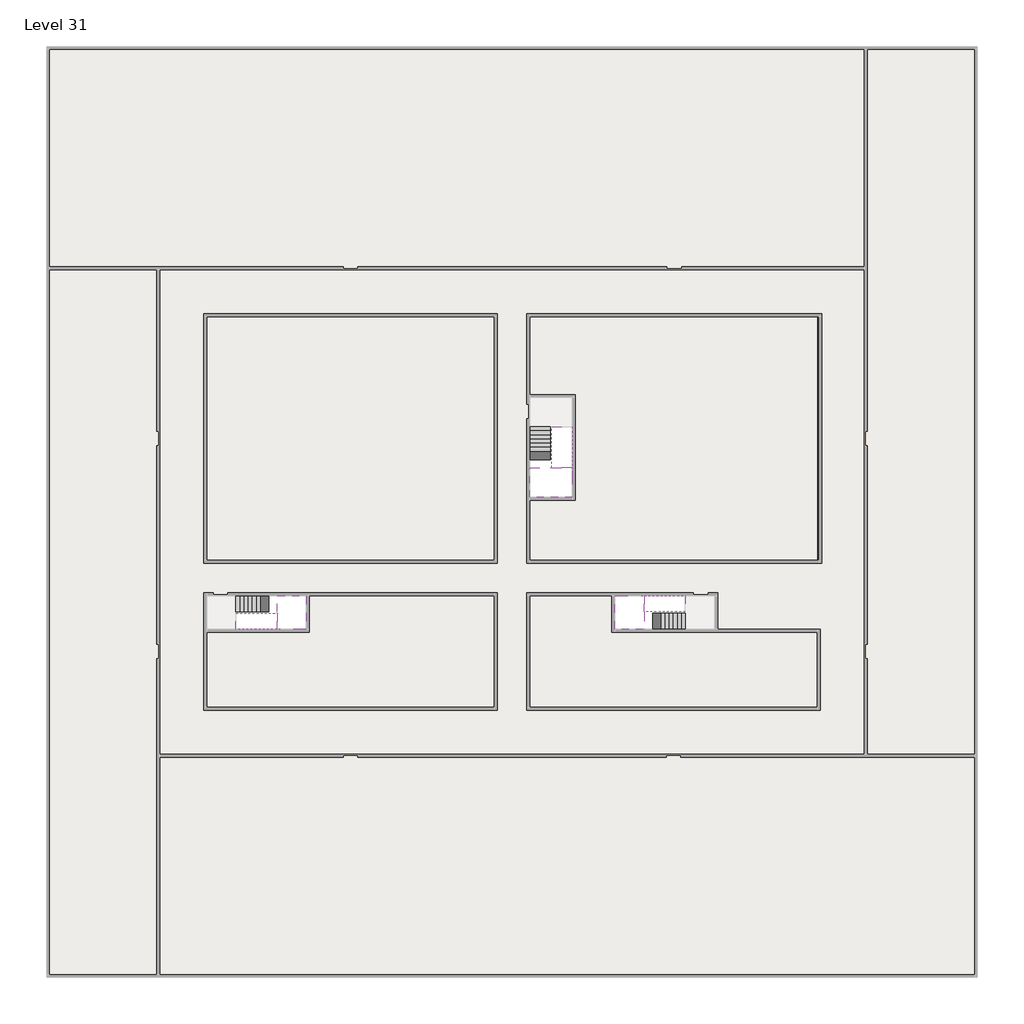
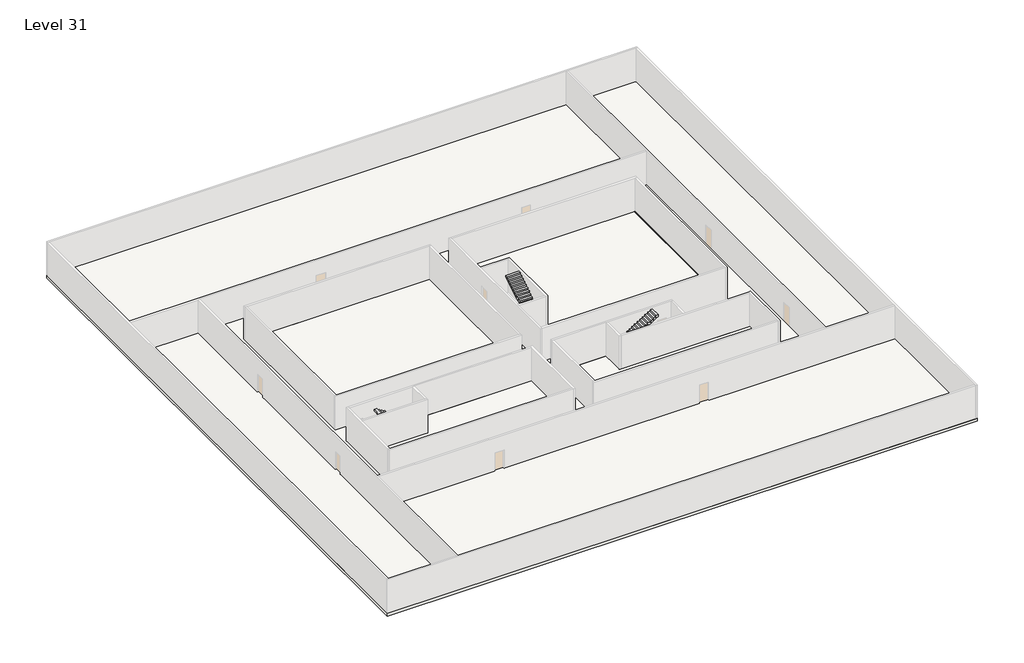
# One storey, part 2 of 2: 6 stair flights, 5 slabs.
"""IFC4 building model written with IfcOpenShell, lengths in millimetres."""

from ifc_helpers import new_model, si_unit, frame, origin, place, context, project, spatial, polyline, outline, extrude, faceted_brep, element, save

model = new_model("IFC4")

# Units and contexts
model_context = context("Model", 3, world=origin())
ifc_project = project(units=[si_unit("LENGTHUNIT", "METRE", prefix="MILLI")], contexts=[model_context])

# Site, building, storey
site = spatial("IfcSite", under=ifc_project)
building = spatial("IfcBuilding", under=site)
storey = spatial("IfcBuildingStorey", under=building, Name="Level 31", Elevation=114000.0)

# Slabs
placement = place(None, origin())
element("IfcSlab", 1, at=placement, inside=storey, context=model_context, shape_type="Brep", body=[
    faceted_brep([(8190.1058784, -42918.09644, 115900.0), (8190.1058784, -44018.09644, 115900.0), (8190.1058784, -44118.09644, 115900.0), (8190.1058784, -45218.09644, 115900.0), (8390.7194421, -45218.09644, 115900.0), (10190.1058784, -45218.09644, 115900.0), (10190.1058784, -42918.09644, 115900.0), (8269.4923146, -42918.09644, 115900.0), (8190.1058784, -42918.09644, 115727.2727273), (8190.1058784, -42918.09644, 115551.0278478), (8190.1058784, -44018.09644, 115551.0278478), (8190.1058784, -44018.09644, 115600.0), (8190.1058784, -44118.09644, 115600.0), (8190.1058784, -44118.09644, 115723.7551205), (8190.1058784, -45218.09644, 115723.7551205), (8390.7194421, -45218.09644, 115600.0), (10190.1058784, -45218.09644, 115600.0), (10190.1058784, -42918.09644, 115600.0), (8269.4923146, -42918.09644, 115600.0), (8390.7194421, -44118.09644, 115600.0), (8269.4923146, -44018.09644, 115600.0)], [[[0, 1, 2, 3, 4, 5, 6, 7]], [[1, 0, 8, 9, 10, 11]], [[2, 1, 11, 12, 13]], [[3, 2, 13, 14]], [[3, 14, 15, 16, 5, 4]], [[6, 5, 16, 17]], [[9, 8, 0, 7, 6, 17, 18]], [[19, 12, 11, 20, 18, 17, 16, 15]], [[12, 19, 13]], [[18, 20, 10, 9]], [[20, 11, 10]], [[19, 15, 14, 13]]]),
])
element("IfcSlab", 2, at=placement, inside=storey, context=model_context, shape_type="Brep", body=[
    faceted_brep([(33190.1058784, -45218.09644, 115900.0), (33190.1058784, -44118.09644, 115900.0), (33190.1058784, -44018.09644, 115900.0), (33190.1058784, -42918.09644, 115900.0), (32989.4923146, -42918.09644, 115900.0), (31190.1058784, -42918.09644, 115900.0), (31190.1058784, -45218.09644, 115900.0), (33110.7194421, -45218.09644, 115900.0), (33190.1058784, -45218.09644, 115727.2727273), (33190.1058784, -45218.09644, 115551.0278478), (33190.1058784, -44118.09644, 115551.0278478), (33190.1058784, -44118.09644, 115600.0), (33190.1058784, -44018.09644, 115600.0), (33190.1058784, -44018.09644, 115723.7551205), (33190.1058784, -42918.09644, 115723.7551205), (32989.4923146, -42918.09644, 115600.0), (31190.1058784, -42918.09644, 115600.0), (31190.1058784, -45218.09644, 115600.0), (33110.7194421, -45218.09644, 115600.0), (32989.4923146, -44018.09644, 115600.0), (33110.7194421, -44118.09644, 115600.0)], [[[0, 1, 2, 3, 4, 5, 6, 7]], [[1, 0, 8, 9, 10, 11]], [[2, 1, 11, 12, 13]], [[3, 2, 13, 14]], [[3, 14, 15, 16, 5, 4]], [[6, 5, 16, 17]], [[9, 8, 0, 7, 6, 17, 18]], [[19, 12, 11, 20, 18, 17, 16, 15]], [[12, 19, 13]], [[18, 20, 10, 9]], [[20, 11, 10]], [[19, 15, 14, 13]]]),
])
element("IfcSlab", 3, at=placement, inside=storey, context=model_context, shape_type="Brep", body=[
    faceted_brep([(26790.1058784, -34218.09644, 115900.0), (25390.1058784, -34218.09644, 115900.0), (25390.1058784, -34297.4828763, 115900.0), (25390.1058784, -36218.09644, 115900.0), (28290.1058784, -36218.09644, 115900.0), (28290.1058784, -34418.7100038, 115900.0), (28290.1058784, -34218.09644, 115900.0), (26890.1058784, -34218.09644, 115900.0), (26790.1058784, -34218.09644, 115600.0), (26790.1058784, -34218.09644, 115551.0278478), (25390.1058784, -34218.09644, 115551.0278478), (25390.1058784, -34218.09644, 115727.2727273), (25390.1058784, -34297.4828763, 115600.0), (25390.1058784, -36218.09644, 115600.0), (28290.1058784, -36218.09644, 115600.0), (28290.1058784, -34418.7100038, 115600.0), (28290.1058784, -34218.09644, 115723.7551205), (26890.1058784, -34218.09644, 115723.7551205), (26890.1058784, -34218.09644, 115600.0), (26890.1058784, -34418.7100038, 115600.0), (26790.1058784, -34297.4828763, 115600.0)], [[[0, 1, 2, 3, 4, 5, 6, 7]], [[1, 0, 8, 9, 10, 11]], [[1, 11, 10, 12, 13, 3, 2]], [[4, 3, 13, 14]], [[4, 14, 15, 16, 6, 5]], [[7, 6, 16, 17]], [[0, 7, 17, 18, 8]], [[18, 19, 15, 14, 13, 12, 20, 8]], [[19, 18, 17]], [[20, 12, 10, 9]], [[8, 20, 9]], [[15, 19, 17, 16]]]),
])
element("IfcSlab", 4, at=placement, inside=storey, context=model_context, shape_type="SweptSolid", body=[
    extrude(outline(polyline([(55890.1058784, -5518.09644), (55890.1058784, -68918.09644), (-7509.8941216, -68918.09644), (-7509.8941216, -5518.09644), (55890.1058784, -5518.09644)]), holes=[polyline([(22990.1058784, -23918.09644), (3390.1058784, -23918.09644), (3390.1058784, -40518.09644), (22990.1058784, -40518.09644), (22990.1058784, -23918.09644)]), polyline([(44990.1058784, -23918.09644), (25390.1058784, -23918.09644), (25390.1058784, -40518.09644), (44990.1058784, -40518.09644), (44990.1058784, -23918.09644)]), polyline([(37990.1058784, -42918.09644), (25390.1058784, -42918.09644), (25390.1058784, -50518.09644), (44990.1058784, -50518.09644), (44990.1058784, -45418.09644), (37990.1058784, -45418.09644), (37990.1058784, -42918.09644)]), polyline([(22990.1058784, -42918.09644), (3390.1058784, -42918.09644), (3390.1058784, -50518.09644), (22990.1058784, -50518.09644), (22990.1058784, -42918.09644)])]), frame((0.0, 0.0, 113700.0), z_axis=(0.0, 0.0, 1.0), x_axis=(1.0, 0.0, 0.0)), (0.0, 0.0, 1.0), 300.0),
])
element("IfcSlab", 5, at=placement, inside=storey, context=model_context, shape_type="SweptSolid", body=[
    extrude(outline(polyline([(22990.1058784, -23918.09644), (22990.1058784, -40518.09644), (3390.1058784, -40518.09644), (3390.1058784, -23918.09644), (22990.1058784, -23918.09644)])), frame((0.0, 0.0, 113700.0), z_axis=(0.0, 0.0, 1.0), x_axis=(1.0, 0.0, 0.0)), (0.0, 0.0, 1.0), 300.0),
    extrude(outline(polyline([(44990.1058784, -23918.09644), (44990.1058784, -40518.09644), (25390.1058784, -40518.09644), (25390.1058784, -36418.09644), (28490.1058784, -36418.09644), (28490.1058784, -29218.09644), (25390.1058784, -29218.09644), (25390.1058784, -23918.09644), (44990.1058784, -23918.09644)])), frame((0.0, 0.0, 113700.0), z_axis=(0.0, 0.0, 1.0), x_axis=(1.0, 0.0, 0.0)), (0.0, 0.0, 1.0), 300.0),
    extrude(outline(polyline([(22990.1058784, -42918.09644), (22990.1058784, -50518.09644), (3390.1058784, -50518.09644), (3390.1058784, -45418.09644), (10390.1058784, -45418.09644), (10390.1058784, -42918.09644), (22990.1058784, -42918.09644)])), frame((0.0, 0.0, 113700.0), z_axis=(0.0, 0.0, 1.0), x_axis=(1.0, 0.0, 0.0)), (0.0, 0.0, 1.0), 300.0),
    extrude(outline(polyline([(30990.1058784, -42918.09644), (30990.1058784, -45418.09644), (44990.1058784, -45418.09644), (44990.1058784, -50518.09644), (25390.1058784, -50518.09644), (25390.1058784, -42918.09644), (30990.1058784, -42918.09644)])), frame((0.0, 0.0, 113700.0), z_axis=(0.0, 0.0, 1.0), x_axis=(1.0, 0.0, 0.0)), (0.0, 0.0, 1.0), 300.0),
])

# Stair flights
element("IfcStairFlight", 6, at=placement, inside=storey, context=model_context, shape_type="Brep", body=[
    faceted_brep([(5670.1058784, -42918.09644, 114172.7272727), (5390.1058784, -42918.09644, 114172.7272727), (5390.1058784, -44018.09644, 114172.7272727), (5670.1058784, -44018.09644, 114172.7272727), (5670.1058784, -42918.09644, 114000.0), (5390.1058784, -42918.09644, 114000.0), (5390.1058784, -44018.09644, 114000.0), (5670.1058784, -44018.09644, 114000.0), (5950.1058784, -42918.09644, 114345.4545455), (5670.1058784, -42918.09644, 114345.4545455), (5670.1058784, -44018.09644, 114345.4545455), (5950.1058784, -44018.09644, 114345.4545455), (5950.1058784, -42918.09644, 114169.209666), (5675.8081041, -42918.09644, 114000.0), (5675.8081041, -44018.09644, 114000.0), (5950.1058784, -44018.09644, 114169.209666), (6230.1058784, -42918.09644, 114518.1818182), (5950.1058784, -42918.09644, 114518.1818182), (5950.1058784, -44018.09644, 114518.1818182), (6230.1058784, -44018.09644, 114518.1818182), (6230.1058784, -42918.09644, 114341.9369387), (6230.1058784, -44018.09644, 114341.9369387), (6510.1058784, -42918.09644, 114690.9090909), (6230.1058784, -42918.09644, 114690.9090909), (6230.1058784, -44018.09644, 114690.9090909), (6510.1058784, -44018.09644, 114690.9090909), (6510.1058784, -42918.09644, 114514.6642114), (6510.1058784, -44018.09644, 114514.6642114), (6790.1058784, -42918.09644, 114863.6363636), (6510.1058784, -42918.09644, 114863.6363636), (6510.1058784, -44018.09644, 114863.6363636), (6790.1058784, -44018.09644, 114863.6363636), (6790.1058784, -42918.09644, 114687.3914841), (6790.1058784, -44018.09644, 114687.3914841), (7070.1058784, -42918.09644, 115036.3636364), (6790.1058784, -42918.09644, 115036.3636364), (6790.1058784, -44018.09644, 115036.3636364), (7070.1058784, -44018.09644, 115036.3636364), (7070.1058784, -42918.09644, 114860.1187569), (7070.1058784, -44018.09644, 114860.1187569), (7350.1058784, -42918.09644, 115209.0909091), (7070.1058784, -42918.09644, 115209.0909091), (7070.1058784, -44018.09644, 115209.0909091), (7350.1058784, -44018.09644, 115209.0909091), (7350.1058784, -42918.09644, 115032.8460296), (7350.1058784, -44018.09644, 115032.8460296), (7630.1058784, -42918.09644, 115381.8181818), (7350.1058784, -42918.09644, 115381.8181818), (7350.1058784, -44018.09644, 115381.8181818), (7630.1058784, -44018.09644, 115381.8181818), (7630.1058784, -42918.09644, 115205.5733023), (7630.1058784, -44018.09644, 115205.5733023), (7910.1058784, -42918.09644, 115554.5454545), (7630.1058784, -42918.09644, 115554.5454545), (7630.1058784, -44018.09644, 115554.5454545), (7910.1058784, -44018.09644, 115554.5454545), (7910.1058784, -42918.09644, 115378.3005751), (7910.1058784, -44018.09644, 115378.3005751), (8190.1058784, -42918.09644, 115727.2727273), (7910.1058784, -42918.09644, 115727.2727273), (7910.1058784, -44018.09644, 115727.2727273), (8190.1058784, -44018.09644, 115727.2727273), (8190.1058784, -42918.09644, 115551.0278478), (8190.1058784, -44018.09644, 115551.0278478), (8190.1058784, -44018.09644, 115600.0)], [[[0, 1, 2, 3]], [[1, 0, 4, 5]], [[2, 1, 5, 6]], [[3, 2, 6, 7]], [[8, 9, 10, 11]], [[4, 0, 9, 8, 12, 13]], [[0, 3, 10, 9]], [[3, 7, 14, 15, 11, 10]], [[16, 17, 18, 19]], [[17, 16, 20, 12, 8]], [[8, 11, 18, 17]], [[19, 18, 11, 15, 21]], [[22, 23, 24, 25]], [[23, 22, 26, 20, 16]], [[16, 19, 24, 23]], [[25, 24, 19, 21, 27]], [[28, 29, 30, 31]], [[29, 28, 32, 26, 22]], [[22, 25, 30, 29]], [[31, 30, 25, 27, 33]], [[34, 35, 36, 37]], [[35, 34, 38, 32, 28]], [[28, 31, 36, 35]], [[37, 36, 31, 33, 39]], [[40, 41, 42, 43]], [[41, 40, 44, 38, 34]], [[34, 37, 42, 41]], [[43, 42, 37, 39, 45]], [[46, 47, 48, 49]], [[47, 46, 50, 44, 40]], [[40, 43, 48, 47]], [[49, 48, 43, 45, 51]], [[52, 53, 54, 55]], [[53, 52, 56, 50, 46]], [[46, 49, 54, 53]], [[55, 54, 49, 51, 57]], [[58, 59, 60, 61]], [[59, 58, 62, 56, 52]], [[52, 55, 60, 59]], [[61, 60, 55, 57, 63, 64]], [[58, 61, 64, 63, 62]], [[5, 4, 13, 14, 7, 6]], [[14, 13, 12, 20, 26, 32, 38, 44, 50, 56, 62, 63, 57, 51, 45, 39, 33, 27, 21, 15]]]),
])
element("IfcStairFlight", 7, at=placement, inside=storey, context=model_context, shape_type="Brep", body=[
    faceted_brep([(7910.1058784, -45218.09644, 116072.7272727), (8190.1058784, -45218.09644, 116072.7272727), (8190.1058784, -44118.09644, 116072.7272727), (7910.1058784, -44118.09644, 116072.7272727), (7910.1058784, -45218.09644, 115896.4823932), (8190.1058784, -45218.09644, 115723.7551205), (8190.1058784, -45218.09644, 115900.0), (8190.1058784, -44118.09644, 115723.7551205), (7910.1058784, -44118.09644, 115896.4823932), (7630.1058784, -45218.09644, 116245.4545455), (7910.1058784, -45218.09644, 116245.4545455), (7910.1058784, -44118.09644, 116245.4545455), (7630.1058784, -44118.09644, 116245.4545455), (7630.1058784, -45218.09644, 116069.209666), (7630.1058784, -44118.09644, 116069.209666), (7350.1058784, -45218.09644, 116418.1818182), (7630.1058784, -45218.09644, 116418.1818182), (7630.1058784, -44118.09644, 116418.1818182), (7350.1058784, -44118.09644, 116418.1818182), (7350.1058784, -45218.09644, 116241.9369387), (7350.1058784, -44118.09644, 116241.9369387), (7070.1058784, -45218.09644, 116590.9090909), (7350.1058784, -45218.09644, 116590.9090909), (7350.1058784, -44118.09644, 116590.9090909), (7070.1058784, -44118.09644, 116590.9090909), (7070.1058784, -45218.09644, 116414.6642114), (7070.1058784, -44118.09644, 116414.6642114), (6790.1058784, -45218.09644, 116763.6363636), (7070.1058784, -45218.09644, 116763.6363636), (7070.1058784, -44118.09644, 116763.6363636), (6790.1058784, -44118.09644, 116763.6363636), (6790.1058784, -45218.09644, 116587.3914841), (6790.1058784, -44118.09644, 116587.3914841), (6510.1058784, -45218.09644, 116936.3636364), (6790.1058784, -45218.09644, 116936.3636364), (6790.1058784, -44118.09644, 116936.3636364), (6510.1058784, -44118.09644, 116936.3636364), (6510.1058784, -45218.09644, 116760.1187569), (6510.1058784, -44118.09644, 116760.1187569), (6230.1058784, -45218.09644, 117109.0909091), (6510.1058784, -45218.09644, 117109.0909091), (6510.1058784, -44118.09644, 117109.0909091), (6230.1058784, -44118.09644, 117109.0909091), (6230.1058784, -45218.09644, 116932.8460296), (6230.1058784, -44118.09644, 116932.8460296), (5950.1058784, -45218.09644, 117281.8181818), (6230.1058784, -45218.09644, 117281.8181818), (6230.1058784, -44118.09644, 117281.8181818), (5950.1058784, -44118.09644, 117281.8181818), (5950.1058784, -45218.09644, 117105.5733023), (5950.1058784, -44118.09644, 117105.5733023), (5670.1058784, -45218.09644, 117454.5454545), (5950.1058784, -45218.09644, 117454.5454545), (5950.1058784, -44118.09644, 117454.5454545), (5670.1058784, -44118.09644, 117454.5454545), (5670.1058784, -45218.09644, 117278.3005751), (5670.1058784, -44118.09644, 117278.3005751), (5390.1058784, -45218.09644, 117627.2727273), (5670.1058784, -45218.09644, 117627.2727273), (5670.1058784, -44118.09644, 117627.2727273), (5390.1058784, -44118.09644, 117627.2727273), (5390.1058784, -45218.09644, 117451.0278478), (5390.1058784, -44118.09644, 117451.0278478)], [[[0, 1, 2, 3]], [[1, 0, 4, 5, 6]], [[2, 1, 6, 5, 7]], [[3, 2, 7, 8]], [[9, 10, 11, 12]], [[10, 9, 13, 4, 0]], [[11, 10, 0, 3]], [[12, 11, 3, 8, 14]], [[15, 16, 17, 18]], [[16, 15, 19, 13, 9]], [[17, 16, 9, 12]], [[18, 17, 12, 14, 20]], [[21, 22, 23, 24]], [[22, 21, 25, 19, 15]], [[23, 22, 15, 18]], [[24, 23, 18, 20, 26]], [[27, 28, 29, 30]], [[28, 27, 31, 25, 21]], [[29, 28, 21, 24]], [[30, 29, 24, 26, 32]], [[33, 34, 35, 36]], [[34, 33, 37, 31, 27]], [[35, 34, 27, 30]], [[36, 35, 30, 32, 38]], [[39, 40, 41, 42]], [[40, 39, 43, 37, 33]], [[41, 40, 33, 36]], [[42, 41, 36, 38, 44]], [[45, 46, 47, 48]], [[46, 45, 49, 43, 39]], [[47, 46, 39, 42]], [[48, 47, 42, 44, 50]], [[51, 52, 53, 54]], [[52, 51, 55, 49, 45]], [[53, 52, 45, 48]], [[54, 53, 48, 50, 56]], [[57, 58, 59, 60]], [[58, 57, 61, 55, 51]], [[59, 58, 51, 54]], [[60, 59, 54, 56, 62]], [[57, 60, 62, 61]], [[5, 4, 13, 19, 25, 31, 37, 43, 49, 55, 61, 62, 56, 50, 44, 38, 32, 26, 20, 14, 8, 7]]]),
])
element("IfcStairFlight", 8, at=placement, inside=storey, context=model_context, shape_type="Brep", body=[
    faceted_brep([(35710.1058784, -45218.09644, 114172.7272727), (35990.1058784, -45218.09644, 114172.7272727), (35990.1058784, -44118.09644, 114172.7272727), (35710.1058784, -44118.09644, 114172.7272727), (35710.1058784, -45218.09644, 114000.0), (35990.1058784, -45218.09644, 114000.0), (35990.1058784, -44118.09644, 114000.0), (35710.1058784, -44118.09644, 114000.0), (35430.1058784, -45218.09644, 114345.4545455), (35710.1058784, -45218.09644, 114345.4545455), (35710.1058784, -44118.09644, 114345.4545455), (35430.1058784, -44118.09644, 114345.4545455), (35430.1058784, -45218.09644, 114169.209666), (35704.4036527, -45218.09644, 114000.0), (35704.4036527, -44118.09644, 114000.0), (35430.1058784, -44118.09644, 114169.209666), (35150.1058784, -45218.09644, 114518.1818182), (35430.1058784, -45218.09644, 114518.1818182), (35430.1058784, -44118.09644, 114518.1818182), (35150.1058784, -44118.09644, 114518.1818182), (35150.1058784, -45218.09644, 114341.9369387), (35150.1058784, -44118.09644, 114341.9369387), (34870.1058784, -45218.09644, 114690.9090909), (35150.1058784, -45218.09644, 114690.9090909), (35150.1058784, -44118.09644, 114690.9090909), (34870.1058784, -44118.09644, 114690.9090909), (34870.1058784, -45218.09644, 114514.6642114), (34870.1058784, -44118.09644, 114514.6642114), (34590.1058784, -45218.09644, 114863.6363636), (34870.1058784, -45218.09644, 114863.6363636), (34870.1058784, -44118.09644, 114863.6363636), (34590.1058784, -44118.09644, 114863.6363636), (34590.1058784, -45218.09644, 114687.3914841), (34590.1058784, -44118.09644, 114687.3914841), (34310.1058784, -45218.09644, 115036.3636364), (34590.1058784, -45218.09644, 115036.3636364), (34590.1058784, -44118.09644, 115036.3636364), (34310.1058784, -44118.09644, 115036.3636364), (34310.1058784, -45218.09644, 114860.1187569), (34310.1058784, -44118.09644, 114860.1187569), (34030.1058784, -45218.09644, 115209.0909091), (34310.1058784, -45218.09644, 115209.0909091), (34310.1058784, -44118.09644, 115209.0909091), (34030.1058784, -44118.09644, 115209.0909091), (34030.1058784, -45218.09644, 115032.8460296), (34030.1058784, -44118.09644, 115032.8460296), (33750.1058784, -45218.09644, 115381.8181818), (34030.1058784, -45218.09644, 115381.8181818), (34030.1058784, -44118.09644, 115381.8181818), (33750.1058784, -44118.09644, 115381.8181818), (33750.1058784, -45218.09644, 115205.5733023), (33750.1058784, -44118.09644, 115205.5733023), (33470.1058784, -45218.09644, 115554.5454545), (33750.1058784, -45218.09644, 115554.5454545), (33750.1058784, -44118.09644, 115554.5454545), (33470.1058784, -44118.09644, 115554.5454545), (33470.1058784, -45218.09644, 115378.3005751), (33470.1058784, -44118.09644, 115378.3005751), (33190.1058784, -45218.09644, 115727.2727273), (33470.1058784, -45218.09644, 115727.2727273), (33470.1058784, -44118.09644, 115727.2727273), (33190.1058784, -44118.09644, 115727.2727273), (33190.1058784, -45218.09644, 115551.0278478), (33190.1058784, -44118.09644, 115551.0278478), (33190.1058784, -44118.09644, 115600.0)], [[[0, 1, 2, 3]], [[1, 0, 4, 5]], [[2, 1, 5, 6]], [[3, 2, 6, 7]], [[8, 9, 10, 11]], [[4, 0, 9, 8, 12, 13]], [[0, 3, 10, 9]], [[3, 7, 14, 15, 11, 10]], [[16, 17, 18, 19]], [[17, 16, 20, 12, 8]], [[8, 11, 18, 17]], [[19, 18, 11, 15, 21]], [[22, 23, 24, 25]], [[23, 22, 26, 20, 16]], [[16, 19, 24, 23]], [[25, 24, 19, 21, 27]], [[28, 29, 30, 31]], [[29, 28, 32, 26, 22]], [[22, 25, 30, 29]], [[31, 30, 25, 27, 33]], [[34, 35, 36, 37]], [[35, 34, 38, 32, 28]], [[28, 31, 36, 35]], [[37, 36, 31, 33, 39]], [[40, 41, 42, 43]], [[41, 40, 44, 38, 34]], [[34, 37, 42, 41]], [[43, 42, 37, 39, 45]], [[46, 47, 48, 49]], [[47, 46, 50, 44, 40]], [[40, 43, 48, 47]], [[49, 48, 43, 45, 51]], [[52, 53, 54, 55]], [[53, 52, 56, 50, 46]], [[46, 49, 54, 53]], [[55, 54, 49, 51, 57]], [[58, 59, 60, 61]], [[59, 58, 62, 56, 52]], [[52, 55, 60, 59]], [[61, 60, 55, 57, 63, 64]], [[58, 61, 64, 63, 62]], [[5, 4, 13, 14, 7, 6]], [[14, 13, 12, 20, 26, 32, 38, 44, 50, 56, 62, 63, 57, 51, 45, 39, 33, 27, 21, 15]]]),
])
element("IfcStairFlight", 9, at=placement, inside=storey, context=model_context, shape_type="Brep", body=[
    faceted_brep([(33470.1058784, -42918.09644, 116072.7272727), (33190.1058784, -42918.09644, 116072.7272727), (33190.1058784, -44018.09644, 116072.7272727), (33470.1058784, -44018.09644, 116072.7272727), (33470.1058784, -42918.09644, 115896.4823932), (33190.1058784, -42918.09644, 115723.7551205), (33190.1058784, -42918.09644, 115900.0), (33190.1058784, -44018.09644, 115723.7551205), (33470.1058784, -44018.09644, 115896.4823932), (33750.1058784, -42918.09644, 116245.4545455), (33470.1058784, -42918.09644, 116245.4545455), (33470.1058784, -44018.09644, 116245.4545455), (33750.1058784, -44018.09644, 116245.4545455), (33750.1058784, -42918.09644, 116069.209666), (33750.1058784, -44018.09644, 116069.209666), (34030.1058784, -42918.09644, 116418.1818182), (33750.1058784, -42918.09644, 116418.1818182), (33750.1058784, -44018.09644, 116418.1818182), (34030.1058784, -44018.09644, 116418.1818182), (34030.1058784, -42918.09644, 116241.9369387), (34030.1058784, -44018.09644, 116241.9369387), (34310.1058784, -42918.09644, 116590.9090909), (34030.1058784, -42918.09644, 116590.9090909), (34030.1058784, -44018.09644, 116590.9090909), (34310.1058784, -44018.09644, 116590.9090909), (34310.1058784, -42918.09644, 116414.6642114), (34310.1058784, -44018.09644, 116414.6642114), (34590.1058784, -42918.09644, 116763.6363636), (34310.1058784, -42918.09644, 116763.6363636), (34310.1058784, -44018.09644, 116763.6363636), (34590.1058784, -44018.09644, 116763.6363636), (34590.1058784, -42918.09644, 116587.3914841), (34590.1058784, -44018.09644, 116587.3914841), (34870.1058784, -42918.09644, 116936.3636364), (34590.1058784, -42918.09644, 116936.3636364), (34590.1058784, -44018.09644, 116936.3636364), (34870.1058784, -44018.09644, 116936.3636364), (34870.1058784, -42918.09644, 116760.1187569), (34870.1058784, -44018.09644, 116760.1187569), (35150.1058784, -42918.09644, 117109.0909091), (34870.1058784, -42918.09644, 117109.0909091), (34870.1058784, -44018.09644, 117109.0909091), (35150.1058784, -44018.09644, 117109.0909091), (35150.1058784, -42918.09644, 116932.8460296), (35150.1058784, -44018.09644, 116932.8460296), (35430.1058784, -42918.09644, 117281.8181818), (35150.1058784, -42918.09644, 117281.8181818), (35150.1058784, -44018.09644, 117281.8181818), (35430.1058784, -44018.09644, 117281.8181818), (35430.1058784, -42918.09644, 117105.5733023), (35430.1058784, -44018.09644, 117105.5733023), (35710.1058784, -42918.09644, 117454.5454545), (35430.1058784, -42918.09644, 117454.5454545), (35430.1058784, -44018.09644, 117454.5454545), (35710.1058784, -44018.09644, 117454.5454545), (35710.1058784, -42918.09644, 117278.3005751), (35710.1058784, -44018.09644, 117278.3005751), (35990.1058784, -42918.09644, 117627.2727273), (35710.1058784, -42918.09644, 117627.2727273), (35710.1058784, -44018.09644, 117627.2727273), (35990.1058784, -44018.09644, 117627.2727273), (35990.1058784, -42918.09644, 117451.0278478), (35990.1058784, -44018.09644, 117451.0278478)], [[[0, 1, 2, 3]], [[1, 0, 4, 5, 6]], [[2, 1, 6, 5, 7]], [[3, 2, 7, 8]], [[9, 10, 11, 12]], [[10, 9, 13, 4, 0]], [[11, 10, 0, 3]], [[12, 11, 3, 8, 14]], [[15, 16, 17, 18]], [[16, 15, 19, 13, 9]], [[17, 16, 9, 12]], [[18, 17, 12, 14, 20]], [[21, 22, 23, 24]], [[22, 21, 25, 19, 15]], [[23, 22, 15, 18]], [[24, 23, 18, 20, 26]], [[27, 28, 29, 30]], [[28, 27, 31, 25, 21]], [[29, 28, 21, 24]], [[30, 29, 24, 26, 32]], [[33, 34, 35, 36]], [[34, 33, 37, 31, 27]], [[35, 34, 27, 30]], [[36, 35, 30, 32, 38]], [[39, 40, 41, 42]], [[40, 39, 43, 37, 33]], [[41, 40, 33, 36]], [[42, 41, 36, 38, 44]], [[45, 46, 47, 48]], [[46, 45, 49, 43, 39]], [[47, 46, 39, 42]], [[48, 47, 42, 44, 50]], [[51, 52, 53, 54]], [[52, 51, 55, 49, 45]], [[53, 52, 45, 48]], [[54, 53, 48, 50, 56]], [[57, 58, 59, 60]], [[58, 57, 61, 55, 51]], [[59, 58, 51, 54]], [[60, 59, 54, 56, 62]], [[57, 60, 62, 61]], [[5, 4, 13, 19, 25, 31, 37, 43, 49, 55, 61, 62, 56, 50, 44, 38, 32, 26, 20, 14, 8, 7]]]),
])
element("IfcStairFlight", 10, at=placement, inside=storey, context=model_context, shape_type="Brep", body=[
    faceted_brep([(26790.1058784, -31698.09644, 114172.7272727), (26790.1058784, -31418.09644, 114172.7272727), (25390.1058784, -31418.09644, 114172.7272727), (25390.1058784, -31698.09644, 114172.7272727), (26790.1058784, -31698.09644, 114000.0), (26790.1058784, -31418.09644, 114000.0), (25390.1058784, -31418.09644, 114000.0), (25390.1058784, -31698.09644, 114000.0), (26790.1058784, -31978.09644, 114345.4545455), (26790.1058784, -31698.09644, 114345.4545455), (25390.1058784, -31698.09644, 114345.4545455), (25390.1058784, -31978.09644, 114345.4545455), (26790.1058784, -31978.09644, 114169.209666), (26790.1058784, -31703.7986657, 114000.0), (25390.1058784, -31703.7986657, 114000.0), (25390.1058784, -31978.09644, 114169.209666), (26790.1058784, -32258.09644, 114518.1818182), (26790.1058784, -31978.09644, 114518.1818182), (25390.1058784, -31978.09644, 114518.1818182), (25390.1058784, -32258.09644, 114518.1818182), (26790.1058784, -32258.09644, 114341.9369387), (25390.1058784, -32258.09644, 114341.9369387), (26790.1058784, -32538.09644, 114690.9090909), (26790.1058784, -32258.09644, 114690.9090909), (25390.1058784, -32258.09644, 114690.9090909), (25390.1058784, -32538.09644, 114690.9090909), (26790.1058784, -32538.09644, 114514.6642114), (25390.1058784, -32538.09644, 114514.6642114), (26790.1058784, -32818.09644, 114863.6363636), (26790.1058784, -32538.09644, 114863.6363636), (25390.1058784, -32538.09644, 114863.6363636), (25390.1058784, -32818.09644, 114863.6363636), (26790.1058784, -32818.09644, 114687.3914841), (25390.1058784, -32818.09644, 114687.3914841), (26790.1058784, -33098.09644, 115036.3636364), (26790.1058784, -32818.09644, 115036.3636364), (25390.1058784, -32818.09644, 115036.3636364), (25390.1058784, -33098.09644, 115036.3636364), (26790.1058784, -33098.09644, 114860.1187569), (25390.1058784, -33098.09644, 114860.1187569), (26790.1058784, -33378.09644, 115209.0909091), (26790.1058784, -33098.09644, 115209.0909091), (25390.1058784, -33098.09644, 115209.0909091), (25390.1058784, -33378.09644, 115209.0909091), (26790.1058784, -33378.09644, 115032.8460296), (25390.1058784, -33378.09644, 115032.8460296), (26790.1058784, -33658.09644, 115381.8181818), (26790.1058784, -33378.09644, 115381.8181818), (25390.1058784, -33378.09644, 115381.8181818), (25390.1058784, -33658.09644, 115381.8181818), (26790.1058784, -33658.09644, 115205.5733023), (25390.1058784, -33658.09644, 115205.5733023), (26790.1058784, -33938.09644, 115554.5454545), (26790.1058784, -33658.09644, 115554.5454545), (25390.1058784, -33658.09644, 115554.5454545), (25390.1058784, -33938.09644, 115554.5454545), (26790.1058784, -33938.09644, 115378.3005751), (25390.1058784, -33938.09644, 115378.3005751), (26790.1058784, -34218.09644, 115727.2727273), (26790.1058784, -33938.09644, 115727.2727273), (25390.1058784, -33938.09644, 115727.2727273), (25390.1058784, -34218.09644, 115727.2727273), (26790.1058784, -34218.09644, 115600.0), (26790.1058784, -34218.09644, 115551.0278478), (25390.1058784, -34218.09644, 115551.0278478)], [[[0, 1, 2, 3]], [[1, 0, 4, 5]], [[2, 1, 5, 6]], [[3, 2, 6, 7]], [[8, 9, 10, 11]], [[4, 0, 9, 8, 12, 13]], [[0, 3, 10, 9]], [[3, 7, 14, 15, 11, 10]], [[16, 17, 18, 19]], [[17, 16, 20, 12, 8]], [[8, 11, 18, 17]], [[19, 18, 11, 15, 21]], [[22, 23, 24, 25]], [[23, 22, 26, 20, 16]], [[16, 19, 24, 23]], [[25, 24, 19, 21, 27]], [[28, 29, 30, 31]], [[29, 28, 32, 26, 22]], [[22, 25, 30, 29]], [[31, 30, 25, 27, 33]], [[34, 35, 36, 37]], [[35, 34, 38, 32, 28]], [[28, 31, 36, 35]], [[37, 36, 31, 33, 39]], [[40, 41, 42, 43]], [[41, 40, 44, 38, 34]], [[34, 37, 42, 41]], [[43, 42, 37, 39, 45]], [[46, 47, 48, 49]], [[47, 46, 50, 44, 40]], [[40, 43, 48, 47]], [[49, 48, 43, 45, 51]], [[52, 53, 54, 55]], [[53, 52, 56, 50, 46]], [[46, 49, 54, 53]], [[55, 54, 49, 51, 57]], [[58, 59, 60, 61]], [[59, 58, 62, 63, 56, 52]], [[52, 55, 60, 59]], [[61, 60, 55, 57, 64]], [[58, 61, 64, 63, 62]], [[5, 4, 13, 14, 7, 6]], [[14, 13, 12, 20, 26, 32, 38, 44, 50, 56, 63, 64, 57, 51, 45, 39, 33, 27, 21, 15]]]),
])
element("IfcStairFlight", 11, at=placement, inside=storey, context=model_context, shape_type="Brep", body=[
    faceted_brep([(26890.1058784, -33938.09644, 116072.7272727), (26890.1058784, -34218.09644, 116072.7272727), (28290.1058784, -34218.09644, 116072.7272727), (28290.1058784, -33938.09644, 116072.7272727), (26890.1058784, -33938.09644, 115896.4823932), (26890.1058784, -34218.09644, 115723.7551205), (28290.1058784, -34218.09644, 115723.7551205), (28290.1058784, -34218.09644, 115900.0), (28290.1058784, -33938.09644, 115896.4823932), (26890.1058784, -33658.09644, 116245.4545455), (26890.1058784, -33938.09644, 116245.4545455), (28290.1058784, -33938.09644, 116245.4545455), (28290.1058784, -33658.09644, 116245.4545455), (26890.1058784, -33658.09644, 116069.209666), (28290.1058784, -33658.09644, 116069.209666), (26890.1058784, -33378.09644, 116418.1818182), (26890.1058784, -33658.09644, 116418.1818182), (28290.1058784, -33658.09644, 116418.1818182), (28290.1058784, -33378.09644, 116418.1818182), (26890.1058784, -33378.09644, 116241.9369387), (28290.1058784, -33378.09644, 116241.9369387), (26890.1058784, -33098.09644, 116590.9090909), (26890.1058784, -33378.09644, 116590.9090909), (28290.1058784, -33378.09644, 116590.9090909), (28290.1058784, -33098.09644, 116590.9090909), (26890.1058784, -33098.09644, 116414.6642114), (28290.1058784, -33098.09644, 116414.6642114), (26890.1058784, -32818.09644, 116763.6363636), (26890.1058784, -33098.09644, 116763.6363636), (28290.1058784, -33098.09644, 116763.6363636), (28290.1058784, -32818.09644, 116763.6363636), (26890.1058784, -32818.09644, 116587.3914841), (28290.1058784, -32818.09644, 116587.3914841), (26890.1058784, -32538.09644, 116936.3636364), (26890.1058784, -32818.09644, 116936.3636364), (28290.1058784, -32818.09644, 116936.3636364), (28290.1058784, -32538.09644, 116936.3636364), (26890.1058784, -32538.09644, 116760.1187569), (28290.1058784, -32538.09644, 116760.1187569), (26890.1058784, -32258.09644, 117109.0909091), (26890.1058784, -32538.09644, 117109.0909091), (28290.1058784, -32538.09644, 117109.0909091), (28290.1058784, -32258.09644, 117109.0909091), (26890.1058784, -32258.09644, 116932.8460296), (28290.1058784, -32258.09644, 116932.8460296), (26890.1058784, -31978.09644, 117281.8181818), (26890.1058784, -32258.09644, 117281.8181818), (28290.1058784, -32258.09644, 117281.8181818), (28290.1058784, -31978.09644, 117281.8181818), (26890.1058784, -31978.09644, 117105.5733023), (28290.1058784, -31978.09644, 117105.5733023), (26890.1058784, -31698.09644, 117454.5454545), (26890.1058784, -31978.09644, 117454.5454545), (28290.1058784, -31978.09644, 117454.5454545), (28290.1058784, -31698.09644, 117454.5454545), (26890.1058784, -31698.09644, 117278.3005751), (28290.1058784, -31698.09644, 117278.3005751), (26890.1058784, -31418.09644, 117627.2727273), (26890.1058784, -31698.09644, 117627.2727273), (28290.1058784, -31698.09644, 117627.2727273), (28290.1058784, -31418.09644, 117627.2727273), (26890.1058784, -31418.09644, 117451.0278478), (28290.1058784, -31418.09644, 117451.0278478)], [[[0, 1, 2, 3]], [[1, 0, 4, 5]], [[2, 1, 5, 6, 7]], [[3, 2, 7, 6, 8]], [[9, 10, 11, 12]], [[10, 9, 13, 4, 0]], [[11, 10, 0, 3]], [[12, 11, 3, 8, 14]], [[15, 16, 17, 18]], [[16, 15, 19, 13, 9]], [[17, 16, 9, 12]], [[18, 17, 12, 14, 20]], [[21, 22, 23, 24]], [[22, 21, 25, 19, 15]], [[23, 22, 15, 18]], [[24, 23, 18, 20, 26]], [[27, 28, 29, 30]], [[28, 27, 31, 25, 21]], [[29, 28, 21, 24]], [[30, 29, 24, 26, 32]], [[33, 34, 35, 36]], [[34, 33, 37, 31, 27]], [[35, 34, 27, 30]], [[36, 35, 30, 32, 38]], [[39, 40, 41, 42]], [[40, 39, 43, 37, 33]], [[41, 40, 33, 36]], [[42, 41, 36, 38, 44]], [[45, 46, 47, 48]], [[46, 45, 49, 43, 39]], [[47, 46, 39, 42]], [[48, 47, 42, 44, 50]], [[51, 52, 53, 54]], [[52, 51, 55, 49, 45]], [[53, 52, 45, 48]], [[54, 53, 48, 50, 56]], [[57, 58, 59, 60]], [[58, 57, 61, 55, 51]], [[59, 58, 51, 54]], [[60, 59, 54, 56, 62]], [[57, 60, 62, 61]], [[5, 4, 13, 19, 25, 31, 37, 43, 49, 55, 61, 62, 56, 50, 44, 38, 32, 26, 20, 14, 8, 6]]]),
])

save(model, "model.ifc")
